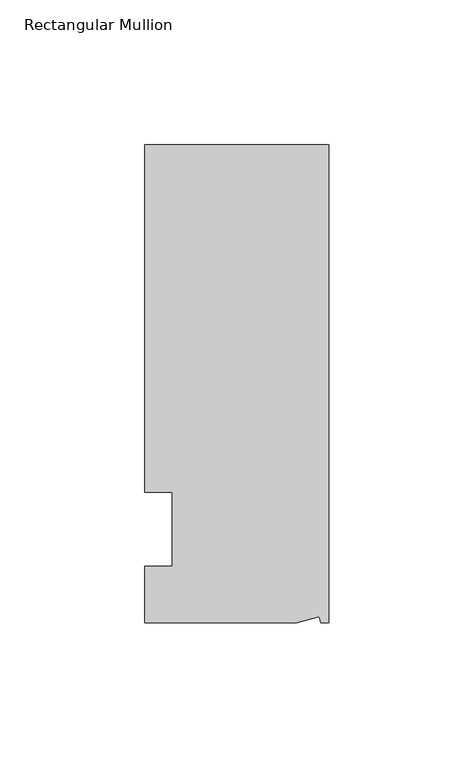
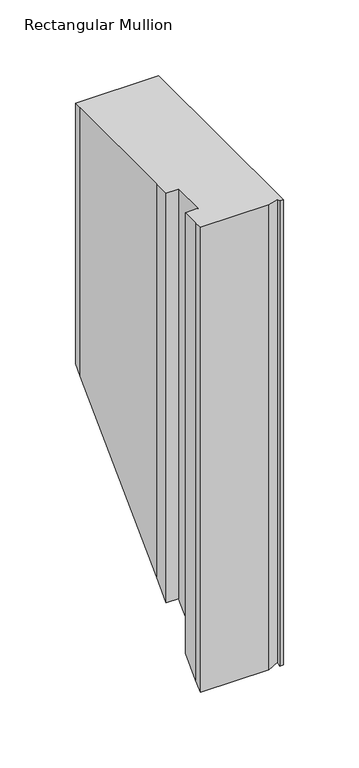
"""IFC4 building model written with IfcOpenShell, lengths in millimetres: member geometry, Rectangular Mullion."""

from ifc_helpers import new_model, si_unit, origin, place, context, project, spatial, faceted_brep, source, transform, mapped, element, save


def rectangular_mullion_e8c8f5da(model_context):
    return source(origin(), model_context, "Body", "Brep", [
        faceted_brep([(-3.3457217, -17.5748952, 0.0), (-11.1265412, -19.6597595, 0.0), (-11.1265412, -19.6597595, -375.2597595), (-3.3457217, -17.5748952, -373.1748952), (-2.787084, -19.6597595, 0.0), (-2.787084, -19.6597595, -375.2597595), (0.0, -19.6597595, 0.0), (0.0, -19.6597595, -375.2597595), (0.0, 145.4402405, 0.0), (0.0, 145.4402405, -210.1597595), (-63.5, 145.4402405, 0.0), (-63.5, 145.4402405, -210.1597595), (-63.5, 38.3358837, 0.0), (-63.5, 139.091245, 0.0), (-63.5, 139.091245, -216.508755), (-63.5, 38.3358837, -317.2641163), (-53.975, 25.4, 0.0), (-63.5, 25.4, 0.0), (-63.5, 25.4, -330.2), (-53.975, 25.4, -330.2), (-53.975, 0.0, 0.0), (-53.975, 0.0, -355.6), (-63.5, 0.0, 0.0), (-63.5, 0.0, -355.6), (-63.5, -13.6200033, 0.0), (-63.5, -13.6200033, -369.2200033), (-63.5, -19.6597595, 0.0), (-63.5, -19.6597595, -375.2597595)], [[[0, 1, 2, 3]], [[4, 0, 3, 5]], [[6, 4, 5, 7]], [[8, 6, 7, 9]], [[10, 8, 9, 11]], [[12, 13, 14, 15]], [[16, 17, 18, 19]], [[20, 16, 19, 21]], [[22, 20, 21, 23]], [[24, 22, 23, 25]], [[1, 26, 27, 2]], [[1, 0, 4, 6, 8, 10, 13, 12, 17, 16, 20, 22, 24, 26]], [[2, 27, 25, 23, 21, 19, 18, 15, 14, 11, 9, 7, 5, 3]], [[13, 10, 11, 14]], [[17, 12, 15, 18]], [[26, 24, 25, 27]]]),
    ])


if __name__ == "__main__":
    model = new_model("IFC4")
    model_context = context("Model", 3, world=origin())
    ifc_project = project(units=[si_unit("LENGTHUNIT", "METRE", prefix="MILLI")], contexts=[model_context])
    site = spatial("IfcSite", under=ifc_project)
    building = spatial("IfcBuilding", under=site)
    placement = place(None, origin())
    rectangular_mullion_shape = rectangular_mullion_e8c8f5da(model_context)
    element("IfcMember", 1, ObjectType="Rectangular Mullion", at=placement, inside=building, context=model_context, shape_type="MappedRepresentation", body=[
        mapped(rectangular_mullion_shape, transform((0.0, 0.0, 0.0), x_axis=(1.0, 0.0, 0.0), y_axis=(0.0, 1.0, 0.0), z_axis=(0.0, 0.0, 1.0))),
    ])
    save(model, "model.ifc")
